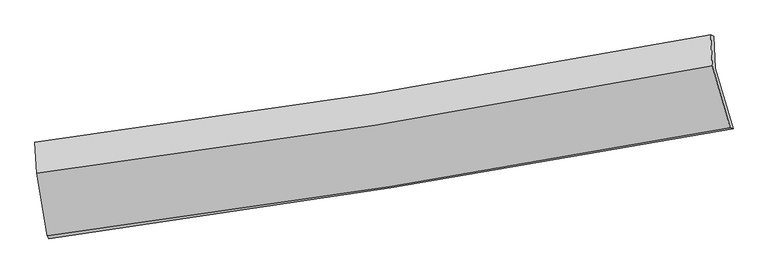
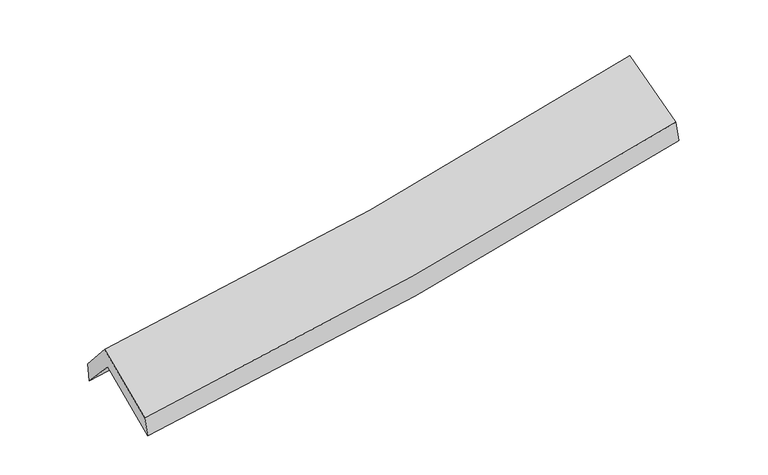
"""IFC4 building model written with IfcOpenShell, lengths in millimetres: proxy geometry."""

from ifc_helpers import new_model, si_unit, frame, origin, place, context, project, spatial, source, transform, mapped, element, save
from ifc_brep_helpers import plane_surface, spline_curve, spline_surface, advanced_brep


def generic_models_baa3e084(model_context):
    return source(origin(), model_context, "Body", "AdvancedBrep", [
        advanced_brep(
        [(-2686.3522637, -2512.129332, 1472.314693), (-2773.448251, -2009.3336161, 1889.6467731), (2708.2071629, -1131.9023301, 2395.8468132), (2854.4797073, -1620.3118621, 1946.5197919), (-2788.5433205, -1735.3274047, 1585.7710967), (2696.3216145, -870.270249, 2079.1906134), (-2799.7801823, -1728.9017088, 1757.2759351), (2673.0675569, -861.3361805, 2259.960307), (-2786.4001172, -1983.4520076, 2050.1318302), (2686.1891545, -1110.9692393, 2547.1589992), (-2699.9265641, -2486.5410231, 1643.6068493), (2830.6689955, -1615.0482994, 2137.797664)],
        [
            (0, 1),
            (1, 2, spline_curve(3, [(-2773.448251, -2009.3336161, 1889.6467731), (-1858.010271989, -1879.766545737, 1947.715064663), (-945.212257024, -1742.172175235, 2018.722916077), (882.046643878, -1449.818013414, 2187.258100698), (1796.467100215, -1294.935288521, 2284.983595672), (2708.2071629, -1131.9023301, 2395.8468132)], [4, 2, 4], [0.0, 9.15884477578944, 18.387554367147633])),
            (2, 3),
            (3, 0, spline_curve(3, [(2854.4797073, -1620.3118621, 1946.5197919), (1933.414431946, -1791.41291129, 1832.236185111), (1009.380159898, -1951.522329928, 1735.493538158), (-837.608613196, -2248.629027923, 1577.689750115), (-1760.518331547, -2385.79209955, 1516.364030862), (-2686.3522637, -2512.129332, 1472.314693)], [4, 2, 4], [0.0, 9.228709591358193, 18.387554367147633])),
            (1, 4),
            (4, 5, spline_curve(3, [(-2788.5433205, -1735.3274047, 1585.7710967), (-1871.559330614, -1614.411034383, 1638.809792435), (-957.719941723, -1482.181804628, 1706.236325444), (870.616527676, -1194.00266953, 1870.489156024), (1785.065450647, -1037.879513935, 1967.535795445), (2696.3216145, -870.270249, 2079.1906134)], [4, 2, 4], [0.0, 9.111576442653012, 18.292657132106807])),
            (5, 2),
            (4, 6),
            (6, 7, spline_curve(3, [(-2799.7801823, -1728.9017088, 1757.2759351), (-1883.379860742, -1612.392038927, 1807.571892428), (-970.827252556, -1482.167085267, 1874.388060912), (853.51425296, -1193.188617973, 2041.696520233), (1765.24422408, -1034.225061813, 2142.441809156), (2673.0675569, -861.3361805, 2259.960307)], [4, 2, 4], [0.0, 9.103764271962978, 18.27697319850984])),
            (7, 5),
            (6, 8),
            (8, 9, spline_curve(3, [(-2786.4001172, -1983.4520076, 2050.1318302), (-1869.957206352, -1867.752582987, 2101.359961335), (-957.404598057, -1737.527629586, 2168.176129822), (866.851403784, -1446.922490599, 2333.613130985), (1778.495219279, -1286.319854576, 2432.472685297), (2686.1891545, -1110.9692393, 2547.1589992)], [4, 2, 4], [0.0, 9.095519602551123, 18.260420968314783])),
            (9, 7),
            (8, 10),
            (10, 11, spline_curve(3, [(-2699.9265641, -2486.5410231, 1643.6068493), (-1775.693505277, -2367.042406904, 1697.587110847), (-854.433829306, -2234.992518367, 1765.550002886), (989.143559411, -1944.687159253, 1930.066138427), (1911.415736846, -1786.239473652, 2026.833517888), (2830.6689955, -1615.0482994, 2137.797664)], [4, 2, 4], [0.0, 9.141433264850896, 18.352598528083412])),
            (11, 9),
            (10, 0),
            (3, 11),
        ],
        [
            spline_surface(3, 3, [[(-2686.3522637, -2512.129332, 1472.314693), (-1760.518331394, -2385.792099445, 1516.364030742), (-837.608613179, -2248.629028074, 1577.689750029), (1009.38015988, -1951.522329776, 1735.493538245), (1933.414431942, -1791.412911137, 1832.236185248), (2854.4797073, -1620.3118621, 1946.5197919)], [(-2715.384259448, -2344.530760038, 1611.425386371), (-1793.01564487, -2217.116914869, 1660.147708675), (-873.476494448, -2079.810077106, 1724.700805384), (966.935654545, -1784.287557667, 1886.081725731), (1887.765321377, -1625.920370295, 1983.151988781), (2805.722192482, -1457.508684764, 2096.295465678)], [(-2744.416255252, -2176.932188062, 1750.536079729), (-1825.512958403, -2048.44173028, 1803.931386594), (-909.344375734, -1910.991126154, 1871.711860728), (924.491149193, -1617.052785573, 2036.669913206), (1842.116210867, -1460.427829463, 2134.067792279), (2756.964677718, -1294.705507436, 2246.071139422)], [(-2773.448251, -2009.3336161, 1889.6467731), (-1858.010271879, -1879.766545704, 1947.715064527), (-945.212257004, -1742.172175186, 2018.722916083), (882.046643858, -1449.818013464, 2187.258100692), (1796.467100301, -1294.935288621, 2284.983595813), (2708.2071629, -1131.9023301, 2395.8468132)]], [4, 4], [4, 2, 4], [0.0, 2.242529241436711], [0.0, 9.15884477578944, 18.387554367147633]),
            spline_surface(3, 3, [[(-2773.448251, -2009.3336161, 1889.6467731), (-1858.010271879, -1879.766545704, 1947.715064527), (-945.212257004, -1742.172175186, 2018.722916083), (882.046643858, -1449.818013464, 2187.258100692), (1796.467100301, -1294.935288621, 2284.983595813), (2708.2071629, -1131.9023301, 2395.8468132)], [(-2778.479940835, -1917.998212297, 1788.354880954), (-1862.526624783, -1791.314708582, 1844.746640508), (-949.38148525, -1655.508718344, 1914.560719218), (878.236605147, -1364.546232151, 2081.668452484), (1792.666550391, -1209.250030391, 2179.167662292), (2704.245313441, -1044.691636387, 2290.294746575)], [(-2783.511630665, -1826.662808503, 1687.062988846), (-1867.042977683, -1702.86287147, 1741.778216528), (-953.550713511, -1568.845261489, 1810.398522308), (874.426566421, -1279.274450824, 1976.078804231), (1788.866000458, -1123.5647722, 2073.351728845), (2700.283463959, -957.480942713, 2184.742680025)], [(-2788.5433205, -1735.3274047, 1585.7710967), (-1871.559330587, -1614.411034348, 1638.809792509), (-957.719941757, -1482.181804647, 1706.236325444), (870.61652771, -1194.002669512, 1870.489156023), (1785.065450548, -1037.87951397, 1967.535795324), (2696.3216145, -870.270249, 2079.1906134)]], [4, 4], [4, 2, 4], [0.0, 1.3353049166917903], [0.0, 9.111576442653012, 18.292657132106807]),
            spline_surface(3, 3, [[(-2788.5433205, -1735.3274047, 1585.7710967), (-1871.559330587, -1614.411034348, 1638.809792509), (-957.719941757, -1482.181804647, 1706.236325444), (870.61652771, -1194.002669512, 1870.489156023), (1785.065450548, -1037.87951397, 1967.535795324), (2696.3216145, -870.270249, 2079.1906134)], [(-2792.288941108, -1733.185506063, 1642.939376172), (-1875.499507339, -1613.738035826, 1695.063825815), (-962.089045332, -1482.176898241, 1762.286903907), (864.915769417, -1193.731318964, 1927.558277471), (1778.458375104, -1036.661363242, 2025.837799971), (2688.570261972, -867.292226166, 2139.44717794)], [(-2796.034561692, -1731.043607437, 1700.107655628), (-1879.439684067, -1613.065037314, 1751.317859105), (-966.458148881, -1482.171991805, 1818.337482342), (859.215011152, -1193.459968388, 1984.627398892), (1771.851299644, -1035.443212515, 2084.1398046), (2680.818909428, -864.314203334, 2199.70374246)], [(-2799.7801823, -1728.9017088, 1757.2759351), (-1883.37986082, -1612.392038792, 1807.571892411), (-970.827252456, -1482.167085398, 1874.388060805), (853.514252859, -1193.18861784, 2041.696520341), (1765.244224201, -1034.225061787, 2142.441809247), (2673.0675569, -861.3361805, 2259.960307)]], [4, 4], [4, 2, 4], [0.0, 0.5589371779124934], [0.0, 9.103764271962978, 18.27697319850984]),
            spline_surface(3, 3, [[(-2799.7801823, -1728.9017088, 1757.2759351), (-1883.37986082, -1612.392038792, 1807.571892411), (-970.827252456, -1482.167085398, 1874.388060805), (853.514252859, -1193.18861784, 2041.696520341), (1765.244224201, -1034.225061787, 2142.441809247), (2673.0675569, -861.3361805, 2259.960307)], [(-2795.320160592, -1813.751808398, 1854.894566823), (-1878.905642655, -1697.512220202, 1905.501248779), (-966.353034291, -1567.287266809, 1972.317417173), (857.959969818, -1277.766575407, 2139.002057173), (1769.661222544, -1118.256659357, 2239.118767969), (2677.44142276, -944.54720011, 2355.693204393)], [(-2790.860138908, -1898.601908002, 1952.513198477), (-1874.431424514, -1782.63240162, 2003.430605078), (-961.878816151, -1652.407448227, 2070.246773572), (862.405686753, -1362.34453298, 2236.307594035), (1774.078220909, -1202.288256898, 2335.795726711), (2681.81528864, -1027.75821969, 2451.426101807)], [(-2786.4001172, -1983.4520076, 2050.1318302), (-1869.957206349, -1867.752583031, 2101.359961446), (-957.404597986, -1737.527629638, 2168.17612994), (866.851403712, -1446.922490547, 2333.613130866), (1778.495219252, -1286.319854469, 2432.472685433), (2686.1891545, -1110.9692393, 2547.1589992)]], [4, 4], [4, 2, 4], [0.0, 1.2737454076451677], [0.0, 9.095519602551123, 18.260420968314783]),
            spline_surface(3, 3, [[(-2786.4001172, -1983.4520076, 2050.1318302), (-1869.957206349, -1867.752583031, 2101.359961446), (-957.404597986, -1737.527629638, 2168.17612994), (866.851403712, -1446.922490547, 2333.613130866), (1778.495219252, -1286.319854469, 2432.472685433), (2686.1891545, -1110.9692393, 2547.1589992)], [(-2757.575599503, -2151.1483461, 1914.623503224), (-1838.535972659, -2034.182524365, 1966.769011273), (-923.081008447, -1903.349259156, 2033.96742095), (907.615455653, -1612.844046814, 2199.097466707), (1822.802058449, -1452.959727508, 2297.259629618), (2734.349101511, -1278.995592671, 2410.70522081)], [(-2728.751081797, -2318.8446846, 1779.115176276), (-1807.11473896, -2200.612465698, 1832.178061127), (-888.757418938, -2069.170888715, 1899.758711937), (948.379507564, -1778.765603122, 2064.581802524), (1867.108897613, -1619.599600534, 2162.046573775), (2782.509048489, -1447.021946029, 2274.25144239)], [(-2699.9265641, -2486.5410231, 1643.6068493), (-1775.693505269, -2367.042407031, 1697.587110954), (-854.433829399, -2234.992518232, 1765.550002948), (989.143559504, -1944.687159389, 1930.066138365), (1911.41573681, -1786.239473573, 2026.833517961), (2830.6689955, -1615.0482994, 2137.797664)]], [4, 4], [4, 2, 4], [0.0, 2.1333173878732388], [0.0, 9.141433264850896, 18.352598528083412]),
            spline_surface(3, 3, [[(-2699.9265641, -2486.5410231, 1643.6068493), (-1775.693505269, -2367.042407031, 1697.587110954), (-854.433829399, -2234.992518232, 1765.550002948), (989.143559504, -1944.687159389, 1930.066138365), (1911.41573681, -1786.239473573, 2026.833517961), (2830.6689955, -1615.0482994, 2137.797664)], [(-2695.401797314, -2495.070459404, 1586.509463855), (-1770.635113992, -2373.292304507, 1637.179417538), (-848.825424012, -2239.53802152, 1702.929918616), (995.889092943, -1946.965549525, 1865.208604966), (1918.748635189, -1787.963952763, 1961.967740394), (2838.605899435, -1616.802820302, 2074.038373304)], [(-2690.877030486, -2503.599895696, 1529.412078445), (-1765.576722671, -2379.54220197, 1576.771724158), (-843.217018565, -2244.083524786, 1640.309834361), (1002.634626442, -1949.24393964, 1800.351071644), (1926.081533563, -1789.688431947, 1897.101962815), (2846.542803365, -1618.557341198, 2010.279082596)], [(-2686.3522637, -2512.129332, 1472.314693), (-1760.518331394, -2385.792099445, 1516.364030742), (-837.608613179, -2248.629028074, 1577.689750029), (1009.38015988, -1951.522329776, 1735.493538245), (1933.414431942, -1791.412911137, 1832.236185248), (2854.4797073, -1620.3118621, 1946.5197919)]], [4, 4], [4, 2, 4], [0.0, 0.6312658393319494], [0.0, 9.19696605912311, 18.464087727740903]),
            plane_surface(frame((2741.489032, -1201.6396934, 2227.7456981), z_axis=(0.9757904982394252, 0.18517620930518108, 0.11637299967354169), x_axis=(0.2171839062099238, -0.7577379552202846, -0.615357085034357))),
            plane_surface(frame((-2755.7417831, -2075.9475153, 1733.1245296), z_axis=(-0.9907518804527299, -0.12152096256826639, -0.06036031010409023), x_axis=(-0.07813716495707926, 0.14729288890873835, 0.9860017182182739))),
        ],
        [
            (0, [[1, 2, 3, 4]]),
            (1, [[5, 6, 7, -2]]),
            (2, [[8, 9, 10, -6]]),
            (3, [[11, 12, 13, -9]]),
            (4, [[14, 15, 16, -12]]),
            (5, [[17, -4, 18, -15]]),
            (6, [[-16, -18, -3, -7, -10, -13]]),
            (7, [[-17, -14, -11, -8, -5, -1]]),
        ],
    ),
    ])


if __name__ == "__main__":
    model = new_model("IFC4")
    model_context = context("Model", 3, world=origin())
    ifc_project = project(units=[si_unit("LENGTHUNIT", "METRE", prefix="MILLI")], contexts=[model_context])
    site = spatial("IfcSite", under=ifc_project)
    building = spatial("IfcBuilding", under=site)
    placement = place(None, origin())
    generic_models_shape = generic_models_baa3e084(model_context)
    element("IfcBuildingElementProxy", 1, Name="Generic Models", at=placement, inside=building, context=model_context, shape_type="MappedRepresentation", body=[
        mapped(generic_models_shape, transform((0.0, 0.0, 0.0), x_axis=(1.0, 0.0, 0.0), y_axis=(0.0, 1.0, 0.0), z_axis=(0.0, 0.0, 1.0))),
    ])
    save(model, "model.ifc")
